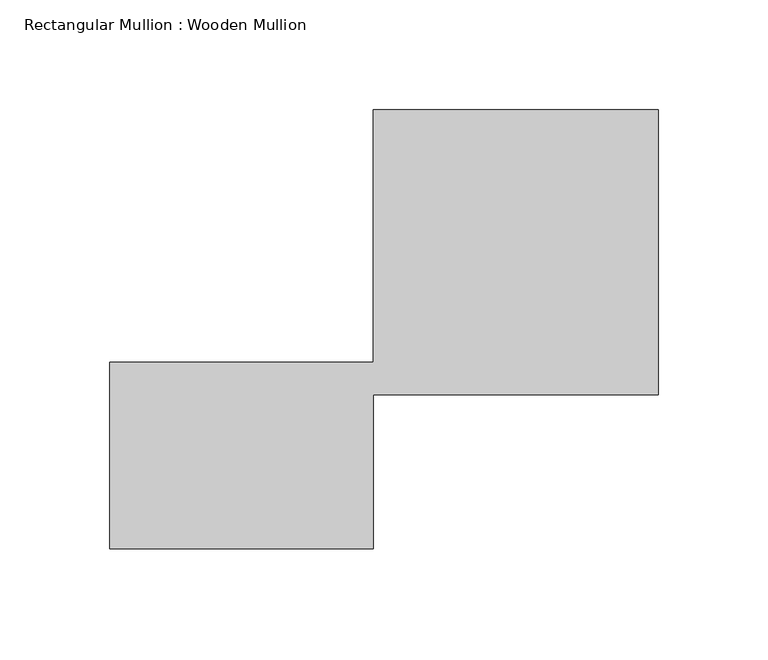
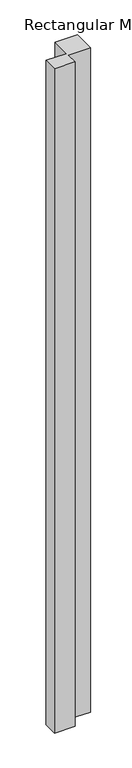
"""IFC4 building model written with IfcOpenShell, lengths in millimetres: member geometry, Rectangular Mullion : Wooden Mullion."""

from ifc_helpers import new_model, si_unit, frame, origin, place, context, project, spatial, polyline, outline, extrude, source, transform, mapped, element, save


def rectangular_mullion_wooden_mullion_98208234(model_context):
    return source(origin(), model_context, "Body", "SweptSolid", [
        extrude(outline(polyline([(74.8100006, -26.0137344), (-45.1899994, -26.0137344), (-45.1899994, 58.9862656), (74.8100006, 58.9862656), (74.8100006, 173.9862656), (204.8100006, 173.9862656), (204.8100006, 43.9862656), (74.8100006, 43.9862656), (74.8100006, -26.0137344)])), frame((0.0, 0.0, -4097.6199343), z_axis=(0.0, 0.0, 1.0), x_axis=(1.0, 0.0, 0.0)), (0.0, 0.0, 1.0), 4097.6199343),
    ])


if __name__ == "__main__":
    model = new_model("IFC4")
    model_context = context("Model", 3, world=origin())
    ifc_project = project(units=[si_unit("LENGTHUNIT", "METRE", prefix="MILLI")], contexts=[model_context])
    site = spatial("IfcSite", under=ifc_project)
    building = spatial("IfcBuilding", under=site)
    placement = place(None, origin())
    rectangular_mullion_wooden_mullion_shape = rectangular_mullion_wooden_mullion_98208234(model_context)
    element("IfcMember", 1, ObjectType="Rectangular Mullion : Wooden Mullion", at=placement, inside=building, context=model_context, shape_type="MappedRepresentation", body=[
        mapped(rectangular_mullion_wooden_mullion_shape, transform((0.0, 0.0, 0.0), x_axis=(1.0, 0.0, 0.0), y_axis=(0.0, 1.0, 0.0), z_axis=(0.0, 0.0, 1.0))),
    ])
    save(model, "model.ifc")
